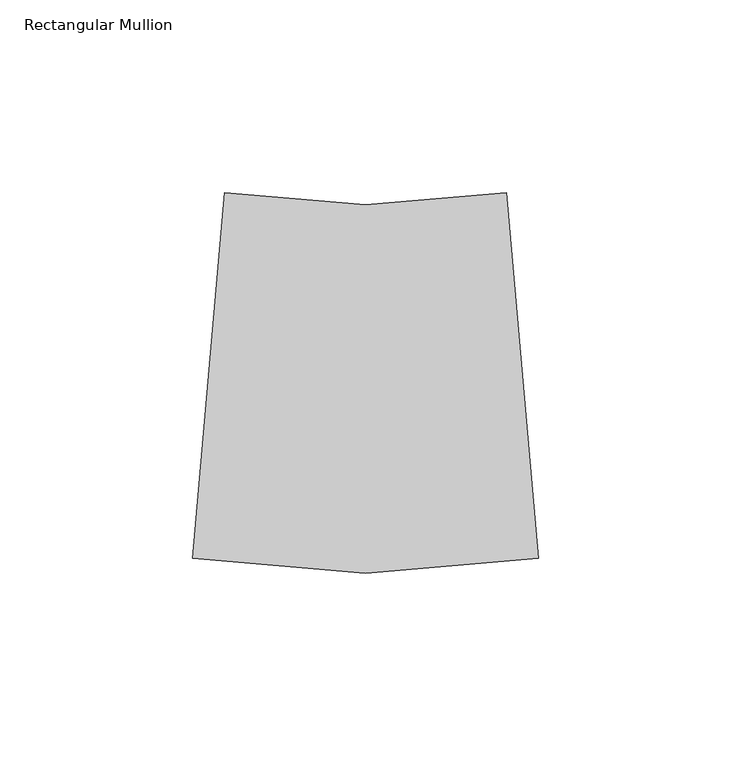
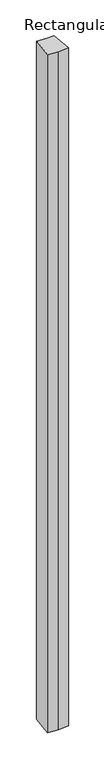
"""IFC4 building model written with IfcOpenShell, lengths in millimetres: member geometry, Rectangular Mullion."""

from ifc_helpers import new_model, si_unit, frame, origin, place, context, project, spatial, polyline, outline, extrude, source, transform, mapped, element, save


def rectangular_mullion_e6310a69(model_context):
    return source(origin(), model_context, "Body", "SweptSolid", [
        extrude(outline(polyline([(-44.9117169, -128.094984), (-89.8234337, -124.1657179), (-81.5218492, -29.2781729), (-44.9117169, -32.4811445), (-8.3015845, -29.2781729), (0.0, -124.1657179), (-44.9117169, -128.094984)])), frame((0.0, 0.0, -3048.0), z_axis=(0.0, 0.0, 1.0), x_axis=(1.0, 0.0, 0.0)), (0.0, 0.0, 1.0), 3048.0),
    ])


if __name__ == "__main__":
    model = new_model("IFC4")
    model_context = context("Model", 3, world=origin())
    ifc_project = project(units=[si_unit("LENGTHUNIT", "METRE", prefix="MILLI")], contexts=[model_context])
    site = spatial("IfcSite", under=ifc_project)
    building = spatial("IfcBuilding", under=site)
    placement = place(None, origin())
    rectangular_mullion_shape = rectangular_mullion_e6310a69(model_context)
    element("IfcMember", 1, ObjectType="Rectangular Mullion", at=placement, inside=building, context=model_context, shape_type="MappedRepresentation", body=[
        mapped(rectangular_mullion_shape, transform((0.0, 0.0, 0.0), x_axis=(1.0, 0.0, 0.0), y_axis=(0.0, 1.0, 0.0), z_axis=(0.0, 0.0, 1.0))),
    ])
    save(model, "model.ifc")
